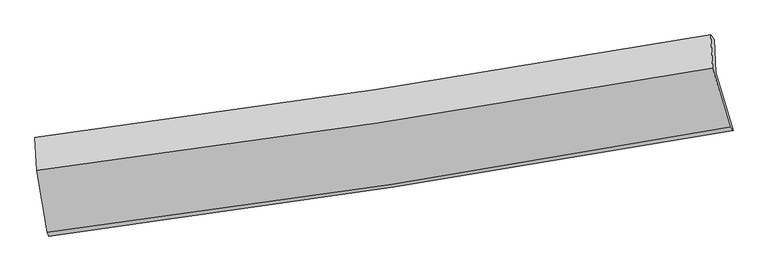
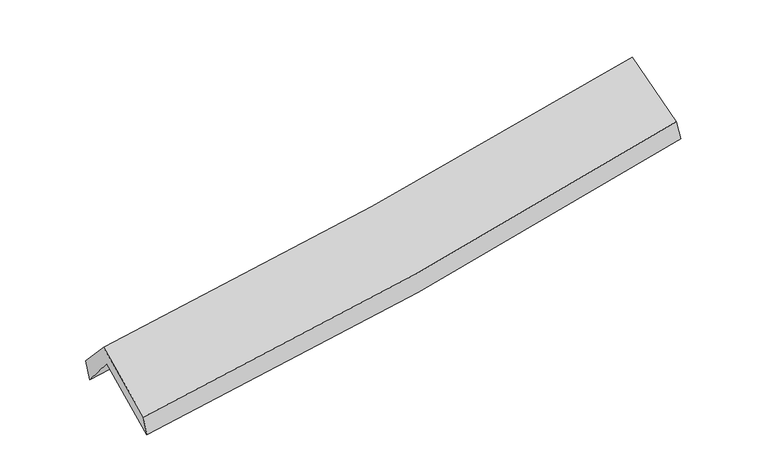
"""IFC4 building model written with IfcOpenShell, lengths in millimetres: proxy geometry."""

from ifc_helpers import new_model, si_unit, frame, origin, place, context, project, spatial, source, transform, mapped, element, save
from ifc_brep_helpers import plane_surface, spline_curve, spline_surface, advanced_brep


def generic_models_7f923ad5(model_context):
    return source(origin(), model_context, "Body", "AdvancedBrep", [
        advanced_brep(
        [(-2721.1163302, -2506.8194809, 1463.9670423), (-2809.3515842, -1996.74568, 1900.8413246), (2729.514233, -1161.7778474, 2376.1391574), (2871.0068243, -1640.0910816, 1964.2064613), (-2820.5011003, -1739.7897725, 1590.7270838), (2717.5573081, -897.7474761, 2065.4548189), (-2836.0703638, -1699.2633281, 1761.7084127), (2688.4112751, -858.5702336, 2242.0097211), (-2822.2209042, -1969.6032076, 2054.2340761), (2703.9347933, -1132.1356994, 2538.414264), (-2735.0594154, -2476.5986666, 1628.6141282), (2845.7462864, -1615.0084125, 2130.9322253)],
        [
            (0, 1),
            (1, 2, spline_curve(3, [(-2809.3515842, -1996.74568, 1900.8413246), (-1876.30675666, -1875.687994261, 1960.119708752), (-945.429529298, -1745.099674154, 2029.668792199), (900.807190768, -1466.548929716, 2188.347251647), (1816.218569244, -1318.814638821, 2277.230779368), (2729.514233, -1161.7778474, 2376.1391574)], [4, 2, 4], [0.0, 9.328349471390972, 18.544376876292883])),
            (2, 3),
            (3, 0, spline_curve(3, [(2871.0068243, -1640.0910816, 1964.2064613), (1951.538989461, -1805.496437554, 1848.992494993), (1028.638321918, -1960.055103826, 1749.853428707), (-835.318542996, -2249.230573302, 1582.712736152), (-1776.458926784, -2383.581373696, 1515.105329288), (-2721.1163302, -2506.8194809, 1463.9670423)], [4, 2, 4], [0.0, 9.216027404901912, 18.544376876292883])),
            (1, 4),
            (4, 5, spline_curve(3, [(-2820.5011003, -1739.7897725, 1590.7270838), (-1887.254120667, -1617.771790783, 1647.532713043), (-956.344531133, -1486.109529455, 1715.804822125), (889.618988759, -1205.19790988, 1874.321872367), (1804.728868583, -1056.179405912, 1964.292341747), (2717.5573081, -897.7474761, 2065.4548189)], [4, 2, 4], [0.0, 9.279054233983365, 18.44637996231613])),
            (5, 2),
            (4, 6),
            (6, 7, spline_curve(3, [(-2836.0703638, -1699.2633281, 1761.7084127), (-1904.827555858, -1579.759849682, 1819.805871354), (-976.059127168, -1449.461024488, 1889.190090442), (865.375523257, -1168.971585924, 2049.560696782), (1778.100974401, -1019.039379896, 2140.276913367), (2688.4112751, -858.5702336, 2242.0097211)], [4, 2, 4], [0.0, 9.268581672800302, 18.425560939397403])),
            (7, 5),
            (6, 8),
            (8, 9, spline_curve(3, [(-2822.2209042, -1969.6032076, 2054.2340761), (-1890.624369655, -1851.758452046, 2114.178592559), (-961.538949221, -1722.556029731, 2184.807914666), (880.452841946, -1443.128326421, 2346.457071662), (1793.419320273, -1293.174912767, 2437.221145519), (2703.9347933, -1132.1356994, 2538.414264)], [4, 2, 4], [0.0, 9.25907006050711, 18.406652243533564])),
            (9, 7),
            (8, 10),
            (10, 11, spline_curve(3, [(-2735.0594154, -2476.5986666, 1628.6141282), (-1792.188194872, -2359.959237754, 1687.143269676), (-852.890073484, -2229.321174142, 1758.599048739), (1007.292964825, -1941.7893392, 1926.34783772), (1928.26341076, -1785.230651428, 2022.331424631), (2845.7462864, -1615.0084125, 2130.9322253)], [4, 2, 4], [0.0, 9.309358542336208, 18.506623686759987])),
            (11, 9),
            (10, 0),
            (3, 11),
        ],
        [
            spline_surface(3, 3, [[(-2721.1163302, -2506.8194809, 1463.9670423), (-1776.458926871, -2383.581373637, 1515.105329438), (-835.318543047, -2249.230573426, 1582.712736175), (1028.638321969, -1960.055103703, 1749.853428685), (1951.5389896, -1805.496437453, 1848.992494918), (2871.0068243, -1640.0910816, 1964.2064613)], [(-2750.528081503, -2336.794880584, 1609.591803079), (-1809.741536777, -2214.283580464, 1663.44345594), (-872.022205142, -2081.186940358, 1731.698088188), (986.027944906, -1795.553045684, 1896.01803636), (1906.432182794, -1643.269171187, 1991.738589715), (2823.842627197, -1480.653336861, 2101.517359977)], [(-2779.939832897, -2166.770280316, 1755.216563821), (-1843.024146775, -2044.985787338, 1811.781582403), (-908.725867227, -1913.143307292, 1880.683440161), (943.417567854, -1631.050987666, 2042.182643997), (1861.325375996, -1481.041904938, 2134.484684581), (2776.678430103, -1321.215592139, 2238.828258723)], [(-2809.3515842, -1996.74568, 1900.8413246), (-1876.306756681, -1875.687994165, 1960.119708905), (-945.429529322, -1745.099674224, 2029.668792174), (900.807190792, -1466.548929647, 2188.347251672), (1816.21856919, -1318.814638672, 2277.230779378), (2729.514233, -1161.7778474, 2376.1391574)]], [4, 4], [4, 2, 4], [0.0, 2.2229056555762647], [0.0, 9.328349471390972, 18.544376876292883]),
            spline_surface(3, 3, [[(-2809.3515842, -1996.74568, 1900.8413246), (-1876.306756681, -1875.687994165, 1960.119708905), (-945.429529322, -1745.099674224, 2029.668792174), (900.807190792, -1466.548929647, 2188.347251672), (1816.21856919, -1318.814638672, 2277.230779378), (2729.514233, -1161.7778474, 2376.1391574)], [(-2813.068089574, -1911.093710849, 1797.469910984), (-1879.955877986, -1789.715926425, 1855.924043625), (-949.067863199, -1658.76962597, 1925.04746882), (897.077790075, -1379.431923072, 2083.67212523), (1812.388668952, -1231.269561065, 2172.917966831), (2725.528591349, -1073.767723612, 2272.577711248)], [(-2816.784594926, -1825.441741651, 1694.098497416), (-1883.60499927, -1703.743858637, 1751.728378392), (-952.706197106, -1572.439577691, 1820.426145483), (893.348389328, -1292.314916472, 1978.996998805), (1808.558768768, -1143.724483523, 2068.605154241), (2721.542949751, -985.757599888, 2169.016265052)], [(-2820.5011003, -1739.7897725, 1590.7270838), (-1887.254120575, -1617.771790897, 1647.532713112), (-956.344530983, -1486.109529438, 1715.804822129), (889.618988611, -1205.197909897, 1874.321872363), (1804.728868531, -1056.179405916, 1964.292341694), (2717.5573081, -897.7474761, 2065.4548189)]], [4, 4], [4, 2, 4], [0.0, 1.338180403478647], [0.0, 9.279054233983365, 18.44637996231613]),
            spline_surface(3, 3, [[(-2820.5011003, -1739.7897725, 1590.7270838), (-1887.254120575, -1617.771790897, 1647.532713112), (-956.344530983, -1486.109529438, 1715.804822129), (889.618988611, -1205.197909897, 1874.321872363), (1804.728868531, -1056.179405916, 1964.292341694), (2717.5573081, -897.7474761, 2065.4548189)], [(-2825.69085482, -1726.280957694, 1647.720860093), (-1893.111932375, -1605.101143862, 1704.957099161), (-962.916063086, -1473.893361133, 1773.599911618), (881.537833544, -1193.122468596, 1932.73481381), (1795.852903832, -1043.799397211, 2022.953865632), (2707.841963779, -884.688395273, 2124.306452982)], [(-2830.88060928, -1712.772142906, 1704.714636407), (-1898.969744114, -1592.430496845, 1762.381485231), (-969.487595204, -1461.677192775, 1831.395001069), (873.456678462, -1181.047027243, 1991.14775522), (1786.976939098, -1031.419388489, 2081.615389522), (2698.126619421, -871.629314427, 2183.158087018)], [(-2836.0703638, -1699.2633281, 1761.7084127), (-1904.827555914, -1579.75984981, 1819.80587128), (-976.059127307, -1449.46102447, 1889.190090558), (865.375523394, -1168.971585942, 2049.560696668), (1778.1009744, -1019.039379784, 2140.27691346), (2688.4112751, -858.5702336, 2242.0097211)]], [4, 4], [4, 2, 4], [0.0, 0.5886390276496063], [0.0, 9.268581672800302, 18.425560939397403]),
            spline_surface(3, 3, [[(-2836.0703638, -1699.2633281, 1761.7084127), (-1904.827555914, -1579.75984981, 1819.80587128), (-976.059127307, -1449.46102447, 1889.190090558), (865.375523394, -1168.971585942, 2049.560696668), (1778.1009744, -1019.039379784, 2140.27691346), (2688.4112751, -858.5702336, 2242.0097211)], [(-2831.453877238, -1789.376621257, 1859.216967198), (-1900.093160499, -1670.426050559, 1917.930111749), (-971.219067903, -1540.492692857, 1987.729365257), (870.401296192, -1260.357166077, 2148.52615498), (1783.207089707, -1110.417890759, 2239.258324134), (2693.585781155, -949.758722191, 2340.811235372)], [(-2826.837390762, -1879.489914443, 1956.725521602), (-1895.358765169, -1761.092251337, 2016.054352125), (-966.379008482, -1631.52436133, 2086.26863999), (875.427069007, -1351.742746299, 2247.491613326), (1788.313205048, -1201.796401762, 2338.23973489), (2698.760287245, -1040.947210809, 2439.612749728)], [(-2822.2209042, -1969.6032076, 2054.2340761), (-1890.624369753, -1851.758452086, 2114.178592594), (-961.538949078, -1722.556029717, 2184.807914689), (880.452841804, -1443.128326434, 2346.457071639), (1793.419320355, -1293.174912737, 2437.221145564), (2703.9347933, -1132.1356994, 2538.414264)]], [4, 4], [4, 2, 4], [0.0, 1.3239728088967944], [0.0, 9.25907006050711, 18.406652243533564]),
            spline_surface(3, 3, [[(-2822.2209042, -1969.6032076, 2054.2340761), (-1890.624369753, -1851.758452086, 2114.178592594), (-961.538949078, -1722.556029717, 2184.807914689), (880.452841804, -1443.128326434, 2346.457071639), (1793.419320355, -1293.174912737, 2437.221145564), (2703.9347933, -1132.1356994, 2538.414264)], [(-2793.167074631, -2138.601693932, 1912.360760129), (-1857.812311468, -2021.158713994, 1971.83348496), (-925.322657209, -1891.477744579, 2042.738292666), (922.732882846, -1609.348664019, 2206.420660359), (1838.367350528, -1457.193492278, 2298.924571923), (2751.205291014, -1293.093270458, 2402.586917779)], [(-2764.113244969, -2307.600180268, 1770.487444171), (-1825.00025309, -2190.558975907, 1829.488377339), (-889.106365399, -2060.399459367, 1900.668670663), (965.012923829, -1775.56900153, 2066.384249099), (1883.315380659, -1621.212071745, 2160.627998246), (2798.475788686, -1454.050841442, 2266.759571521)], [(-2735.0594154, -2476.5986666, 1628.6141282), (-1792.188194804, -2359.959237815, 1687.143269706), (-852.89007353, -2229.321174228, 1758.599048639), (1007.292964871, -1941.789339115, 1926.347837819), (1928.263410832, -1785.230651285, 2022.331424606), (2845.7462864, -1615.0084125, 2130.9322253)]], [4, 4], [4, 2, 4], [0.0, 2.1903186784181967], [0.0, 9.309358542336208, 18.506623686759987]),
            spline_surface(3, 3, [[(-2735.0594154, -2476.5986666, 1628.6141282), (-1792.188194804, -2359.959237815, 1687.143269706), (-852.89007353, -2229.321174228, 1758.599048639), (1007.292964871, -1941.789339115, 1926.347837819), (1928.263410832, -1785.230651285, 2022.331424606), (2845.7462864, -1615.0084125, 2130.9322253)], [(-2730.411720334, -2486.672271384, 1573.731766216), (-1786.945105494, -2367.833283106, 1629.7972896), (-847.032896728, -2235.957640606, 1699.970277816), (1014.408083878, -1947.87792729, 1867.516368106), (1936.021937094, -1791.985913347, 1964.551781384), (2854.166465706, -1623.369302206, 2075.356970641)], [(-2725.764025266, -2496.745876116, 1518.849404284), (-1781.702016182, -2375.707328346, 1572.451309544), (-841.175719849, -2242.594107048, 1641.341506998), (1021.523202961, -1953.966515528, 1808.684898398), (1943.780463338, -1798.741175391, 1906.772138139), (2862.586644994, -1631.730191894, 2019.781715959)], [(-2721.1163302, -2506.8194809, 1463.9670423), (-1776.458926871, -2383.581373637, 1515.105329438), (-835.318543047, -2249.230573426, 1582.712736175), (1028.638321969, -1960.055103703, 1749.853428685), (1951.5389896, -1805.496437453, 1848.992494918), (2871.0068243, -1640.0910816, 1964.2064613)]], [4, 4], [4, 2, 4], [0.0, 0.584911093611152], [0.0, 9.368251446666513, 18.623700369681238]),
            plane_surface(frame((2759.3617867, -1217.5551251, 2219.526108), z_axis=(0.9753470895253955, 0.18525992562583038, 0.11990335654789773), x_axis=(0.2189977181016153, -0.7456943014638108, -0.6292694241981608))),
            plane_surface(frame((-2790.7199497, -2064.8033559, 1733.348678), z_axis=(-0.9910460469749509, -0.11812414016322187, -0.062244841441062265), x_axis=(-0.08300577506187819, 0.17991011906455615, 0.9801746733947752))),
        ],
        [
            (0, [[1, 2, 3, 4]]),
            (1, [[5, 6, 7, -2]]),
            (2, [[8, 9, 10, -6]]),
            (3, [[11, 12, 13, -9]]),
            (4, [[14, 15, 16, -12]]),
            (5, [[17, -4, 18, -15]]),
            (6, [[-16, -18, -3, -7, -10, -13]]),
            (7, [[-17, -14, -11, -8, -5, -1]]),
        ],
    ),
    ])


if __name__ == "__main__":
    model = new_model("IFC4")
    model_context = context("Model", 3, world=origin())
    ifc_project = project(units=[si_unit("LENGTHUNIT", "METRE", prefix="MILLI")], contexts=[model_context])
    site = spatial("IfcSite", under=ifc_project)
    building = spatial("IfcBuilding", under=site)
    placement = place(None, origin())
    generic_models_shape = generic_models_7f923ad5(model_context)
    element("IfcBuildingElementProxy", 1, Name="Generic Models", at=placement, inside=building, context=model_context, shape_type="MappedRepresentation", body=[
        mapped(generic_models_shape, transform((0.0, 0.0, 0.0), x_axis=(1.0, 0.0, 0.0), y_axis=(0.0, 1.0, 0.0), z_axis=(0.0, 0.0, 1.0))),
    ])
    save(model, "model.ifc")
